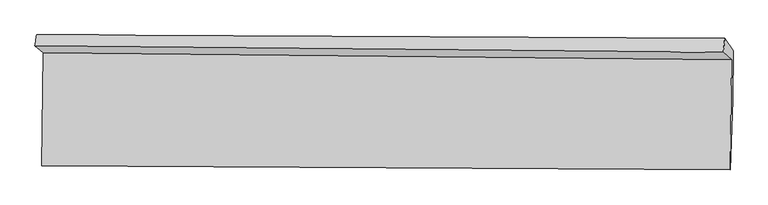
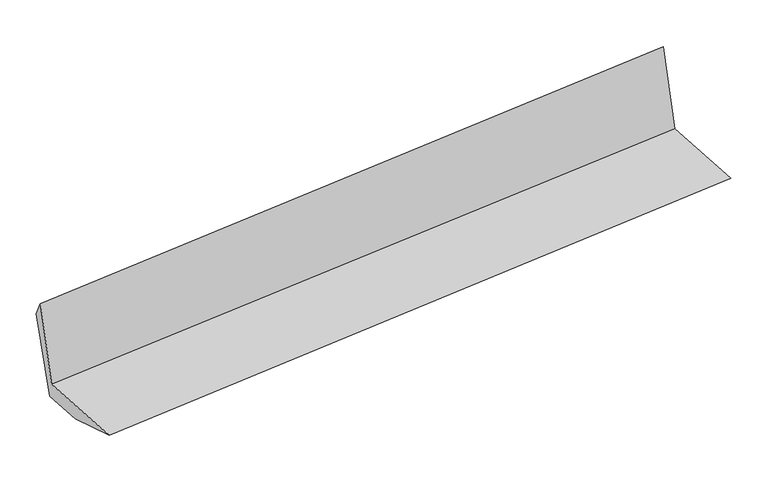
"""IFC4 building model written with IfcOpenShell, lengths in millimetres: proxy geometry."""

from ifc_helpers import new_model, si_unit, frame, origin, place, context, project, spatial, source, transform, mapped, element, save
from ifc_brep_helpers import plane_surface, spline_surface, advanced_brep


def generic_models_f60c94f1(model_context):
    return source(origin(), model_context, "Body", "AdvancedBrep", [
        advanced_brep(
        [(-5351.5794584, -1287.962382, 2190.3230274), (-5293.9015373, -1340.4246535, 1528.6983472), (-396.9490528, -1390.0622654, 1979.670337), (-455.5696238, -1336.7425853, 2652.1081733), (-5302.0728463, -2142.5300665, 1591.5874278), (-404.9172492, -2172.2298982, 2040.9961958), (-5285.8653654, -1650.9799794, 1424.9612831), (-389.3591094, -1678.0083208, 1881.8979398), (-5282.2534, -1296.4251578, 1397.1624099), (-385.7497582, -1323.7101167, 1854.1191866), (-5339.5817707, -1212.1366876, 2056.002112), (-444.4319908, -1237.431097, 2528.5179917)],
        [
            (0, 1),
            (1, 2),
            (2, 3),
            (3, 0),
            (1, 4),
            (4, 5),
            (5, 2),
            (4, 6),
            (6, 7),
            (7, 5),
            (6, 8),
            (8, 9),
            (9, 7),
            (8, 10),
            (10, 11),
            (11, 9),
            (10, 0),
            (3, 11),
        ],
        [
            plane_surface(frame((-5322.7404978, -1314.1935177, 1859.5106873), z_axis=(-0.01724516657974309, -0.9968401478061923, 0.07753917688088943), x_axis=(0.08657711440614456, -0.07874819320142736, -0.9931279501295974))),
            plane_surface(frame((-5297.9871918, -1741.47736, 1560.1428875), z_axis=(-0.0906277765296541, 0.0787610393997965, 0.992765483280898), x_axis=(-0.010155633039490113, -0.996889014431367, 0.07816109021517807))),
            spline_surface(1, 1, [[(-5302.0728463, -2142.5300665, 1591.5874278), (-404.9172492, -2172.2298982, 2040.9961958)], [(-5285.8653654, -1650.9799794, 1424.9612831), (-389.3591094, -1678.0083208, 1881.8979398)]], [2, 2], [2, 2], [0.0, 1.0], [0.0, 1.0]),
            plane_surface(frame((-5284.0593827, -1473.7025686, 1411.0618465), z_axis=(0.09219551227721344, -0.07876566280015797, -0.992620752291425), x_axis=(0.010155633039490146, 0.996889014431367, -0.07816109021517775))),
            plane_surface(frame((-5310.9175853, -1254.2809227, 1726.5822609), z_axis=(0.017230808364167155, 0.9919558298314949, -0.12540626342582697), x_axis=(-0.08599096981169108, 0.1264303731255834, 0.9882413236968847))),
            spline_surface(1, 1, [[(-5339.5817707, -1212.1366876, 2056.002112), (-444.4319908, -1237.431097, 2528.5179917)], [(-5351.5794584, -1287.962382, 2190.3230274), (-455.5696238, -1336.7425853, 2652.1081733)]], [2, 2], [2, 2], [0.0, 1.0], [0.0, 1.0]),
            plane_surface(frame((-412.829464, -1523.0307139, 2156.218304), z_axis=(0.9961933880420353, -0.003318881373241484, 0.087107512005348), x_axis=(-0.08599096981169108, 0.1264303731255834, 0.9882413236968847))),
            plane_surface(frame((-5309.209063, -1488.4098211, 1698.1224346), z_axis=(-0.9961933880420344, 0.003318881373290887, -0.0871075120053534), x_axis=(0.07754887442099888, 0.4901108745425146, -0.8682036067255237))),
        ],
        [
            (0, [[1, 2, 3, 4]]),
            (1, [[5, 6, 7, -2]]),
            (2, [[8, 9, 10, -6]]),
            (3, [[11, 12, 13, -9]]),
            (4, [[14, 15, 16, -12]]),
            (5, [[17, -4, 18, -15]]),
            (6, [[-16, -18, -3, -7, -10, -13]]),
            (7, [[-17, -14, -11, -8, -5, -1]]),
        ],
    ),
    ])


if __name__ == "__main__":
    model = new_model("IFC4")
    model_context = context("Model", 3, world=origin())
    ifc_project = project(units=[si_unit("LENGTHUNIT", "METRE", prefix="MILLI")], contexts=[model_context])
    site = spatial("IfcSite", under=ifc_project)
    building = spatial("IfcBuilding", under=site)
    placement = place(None, origin())
    generic_models_shape = generic_models_f60c94f1(model_context)
    element("IfcBuildingElementProxy", 1, Name="Generic Models", at=placement, inside=building, context=model_context, shape_type="MappedRepresentation", body=[
        mapped(generic_models_shape, transform((0.0, 0.0, 0.0), x_axis=(1.0, 0.0, 0.0), y_axis=(0.0, 1.0, 0.0), z_axis=(0.0, 0.0, 1.0))),
    ])
    save(model, "model.ifc")
